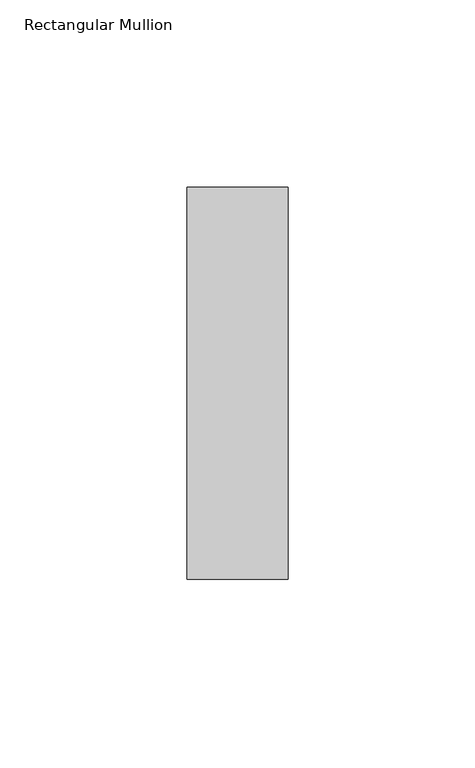
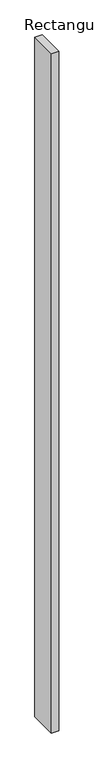
"""IFC4 building model written with IfcOpenShell, lengths in millimetres: member geometry, Rectangular Mullion."""

import ifcopenshell
import ifcopenshell.guid

model = None  # the IFC model being written
_history = None  # IfcOwnerHistory: only IFC2X3 demands one
_inside = {}  # id of a spatial element -> (the spatial element, [elements in it])
_under = {}  # id of a project, library or spatial element -> (it, [spatial elements below it])
_declared = {}  # id of a project -> (the project, [libraries it declares])
_typed = {}  # id of a type object -> (the type object, [elements of that type])
_made_of = {}  # id of a material, layer set ... -> (it, [elements and type objects made of it])


def new_model(schema):
    """Start an empty IFC model of exactly this schema.

    Asked for "IFC4X3", IfcOpenShell would pick the latest addendum, in which some entities
    have other attributes; the version numbers below select the first issue.
    IFC2X3 requires an IfcOwnerHistory on every rooted entity: one is made here for all.
    """
    global model, _history
    if schema == "IFC4X3":
        model = ifcopenshell.file(schema_version=(4, 3, 0, 0))
    else:
        model = ifcopenshell.file(schema=schema)
    _inside.clear()
    _under.clear()
    _declared.clear()
    _typed.clear()
    _made_of.clear()
    _history = None
    if model.schema == "IFC2X3":
        org = make("IfcOrganization", Name="unknown")
        user = make(
            "IfcPersonAndOrganization",
            ThePerson=make("IfcPerson", FamilyName="unknown"),
            TheOrganization=org,
        )
        app = make(
            "IfcApplication",
            ApplicationDeveloper=org,
            Version="unknown",
            ApplicationFullName="unknown",
            ApplicationIdentifier="unknown",
        )
        _history = make(
            "IfcOwnerHistory",
            OwningUser=user,
            OwningApplication=app,
            ChangeAction="ADDED",
            CreationDate=0,
        )
    return model


def make(cls, **values):
    """One entity of the class cls with the attributes given. An attribute that is None is left unset."""
    return model.create_entity(
        cls, **{name: value for name, value in values.items() if value is not None}
    )


def rooted(cls, **values):
    """An entity with a GlobalId (a new one), such as an element, a storey or a relation."""
    return make(cls, GlobalId=ifcopenshell.guid.new(), OwnerHistory=_history, **values)


def si_unit(unit_type, name, prefix=None):
    """IfcSIUnit, for example si_unit("LENGTHUNIT", "METRE", prefix="MILLI")."""
    return make("IfcSIUnit", UnitType=unit_type, Prefix=prefix, Name=name)


def assignment(units):
    """IfcUnitAssignment: the units of a project."""
    return None if units is None else make("IfcUnitAssignment", Units=units)


def point(xyz):
    """IfcCartesianPoint."""
    return None if xyz is None else make("IfcCartesianPoint", Coordinates=xyz)


def direction(xyz):
    """IfcDirection."""
    return None if xyz is None else make("IfcDirection", DirectionRatios=xyz)


def frame(location, z_axis=None, x_axis=None):
    """IfcAxis2Placement3D, a coordinate frame: its origin and axes. An axis left out is left unset."""
    return make(
        "IfcAxis2Placement3D",
        Location=point(location),
        Axis=direction(z_axis),
        RefDirection=direction(x_axis),
    )


def origin():
    """The frame at (0, 0, 0) with its axes left unset."""
    return frame((0.0, 0.0, 0.0))


def place(relative_to, where):
    """IfcLocalPlacement: puts the frame where relative to a parent placement (None: the world)."""
    return make(
        "IfcLocalPlacement", PlacementRelTo=relative_to, RelativePlacement=where
    )


def context(
    kind, dimensions, precision=None, world=None, true_north=None, identifier=None
):
    """IfcGeometricRepresentationContext, for example the 3D "Model" context."""
    return make(
        "IfcGeometricRepresentationContext",
        ContextIdentifier=identifier,
        ContextType=kind,
        CoordinateSpaceDimension=dimensions,
        Precision=precision,
        WorldCoordinateSystem=world,
        TrueNorth=true_north,
    )


def project(units=None, contexts=None):
    """IfcProject with its units and contexts."""
    return rooted(
        "IfcProject",
        Name="project",
        RepresentationContexts=contexts,
        UnitsInContext=assignment(units),
    )


def spatial(cls, under=None, at=None, **own):
    """A site, building, storey or space (cls), placed at a placement, below another one or the project."""
    s = rooted(cls, ObjectPlacement=at, **own)
    if under is not None:
        _under.setdefault(under.id(), (under, []))[1].append(s)
    return s


def polyline(points):
    """IfcPolyline through the points."""
    return make("IfcPolyline", Points=[point(p) for p in points])


def outline(outer, holes=None, kind="AREA"):
    """IfcArbitraryClosedProfileDef: a profile drawn as a closed curve; with holes, ...WithVoids."""
    if holes is None:
        return make("IfcArbitraryClosedProfileDef", ProfileType=kind, OuterCurve=outer)
    return make(
        "IfcArbitraryProfileDefWithVoids",
        ProfileType=kind,
        OuterCurve=outer,
        InnerCurves=holes,
    )


def extrude(swept, where, along, depth):
    """IfcExtrudedAreaSolid: the profile swept, set in the frame where, extruded along a direction by depth."""
    return make(
        "IfcExtrudedAreaSolid",
        SweptArea=swept,
        Position=where,
        ExtrudedDirection=direction(along),
        Depth=depth,
    )


def shape(context_of_items, identifier, shape_type, items):
    """IfcShapeRepresentation: the items that make up one representation, for example the "Body"."""
    return make(
        "IfcShapeRepresentation",
        ContextOfItems=context_of_items,
        RepresentationIdentifier=identifier,
        RepresentationType=shape_type,
        Items=items,
    )


def source(mapping_origin, context_of_items, identifier, shape_type, items):
    """IfcRepresentationMap: a shape defined once, which mapped items show again and again."""
    return make(
        "IfcRepresentationMap",
        MappingOrigin=mapping_origin,
        MappedRepresentation=shape(context_of_items, identifier, shape_type, items),
    )


def transform(
    local_origin,
    x_axis=None,
    y_axis=None,
    z_axis=None,
    scale=None,
    scale2=None,
    scale3=None,
    uniform=True,
):
    """IfcCartesianTransformationOperator3D, or its non-uniform kind. x_axis, y_axis, z_axis: its Axis1, 2, 3."""
    if uniform:
        return make(
            "IfcCartesianTransformationOperator3D",
            Axis1=direction(x_axis),
            Axis2=direction(y_axis),
            LocalOrigin=point(local_origin),
            Scale=scale,
            Axis3=direction(z_axis),
        )
    return make(
        "IfcCartesianTransformationOperator3DnonUniform",
        Axis1=direction(x_axis),
        Axis2=direction(y_axis),
        LocalOrigin=point(local_origin),
        Scale=scale,
        Axis3=direction(z_axis),
        Scale2=scale2,
        Scale3=scale3,
    )


def mapped(mapping_source, mapping_target):
    """IfcMappedItem: shows the shape of a source again, moved by a transform."""
    return make(
        "IfcMappedItem", MappingSource=mapping_source, MappingTarget=mapping_target
    )


def made_of(thing, what):
    """Note that an element or type object is made of a material, layer set ...; save() writes the relation."""
    if what is not None:
        _made_of.setdefault(what.id(), (what, []))[1].append(thing)
    return thing


def element(
    cls,
    number,
    at=None,
    inside=None,
    cuts=None,
    type_object=None,
    material=None,
    context=None,
    identifier="Body",
    shape_type=None,
    held_by="IfcProductDefinitionShape",
    body=None,
    shapes=None,
    **own,
):
    """One element of the class cls, such as IfcWall. Its Tag is "e" and its number.

    at: its placement. inside: the storey or other place that contains it. cuts: it is an
    opening in that element (IfcRelVoidsElement). A single representation is given by context,
    identifier, shape_type and body (its items); several are given by shapes. held_by: the class
    of the entity that holds the representations. save() writes the other relations.
    """
    e = rooted(cls, Tag="e%d" % number, ObjectPlacement=at, **own)
    if body is not None:
        shapes = [shape(context, identifier, shape_type, body)]
    if shapes is not None:
        e.Representation = make(held_by, Representations=shapes)
    if inside is not None:
        _inside.setdefault(inside.id(), (inside, []))[1].append(e)
    if cuts is not None:
        rooted(
            "IfcRelVoidsElement", RelatingBuildingElement=cuts, RelatedOpeningElement=e
        )
    if type_object is not None:
        _typed.setdefault(type_object.id(), (type_object, []))[1].append(e)
    return made_of(e, material)


def aggregate(whole, parts):
    """IfcRelAggregates: a whole, such as a stair, and the parts it consists of."""
    return rooted("IfcRelAggregates", RelatingObject=whole, RelatedObjects=parts)


def save(model, path):
    """Write the relations noted so far, then the file.

    IfcRelAggregates (storeys below a building ...), IfcRelContainedInSpatialStructure (elements
    in a storey), IfcRelDefinesByType, IfcRelAssociatesMaterial and IfcRelDeclares: one each for
    every whole, place, type object, material and project.
    """
    for whole, parts in _under.values():
        aggregate(whole, parts)
    for where, things in _inside.values():
        rooted(
            "IfcRelContainedInSpatialStructure",
            RelatedElements=things,
            RelatingStructure=where,
        )
    for kind, things in _typed.values():
        rooted("IfcRelDefinesByType", RelatedObjects=things, RelatingType=kind)
    for what, things in _made_of.values():
        rooted("IfcRelAssociatesMaterial", RelatedObjects=things, RelatingMaterial=what)
    for by, libraries in _declared.values():
        rooted("IfcRelDeclares", RelatingContext=by, RelatedDefinitions=libraries)
    model.write(path)


def rectangular_mullion_381b6c79(model_context):
    return source(origin(), model_context, "Body", "SweptSolid", [
        extrude(outline(polyline([(0.0, 52.3975), (0.0, -52.3975), (-27.0, -52.3975), (-27.0, 52.3975), (0.0, 52.3975)])), frame((0.0, 0.0, -2646.0), z_axis=(0.0, 0.0, 1.0), x_axis=(1.0, 0.0, 0.0)), (0.0, 0.0, 1.0), 2646.0),
    ])


if __name__ == "__main__":
    model = new_model("IFC4")
    model_context = context("Model", 3, world=origin())
    ifc_project = project(units=[si_unit("LENGTHUNIT", "METRE", prefix="MILLI")], contexts=[model_context])
    site = spatial("IfcSite", under=ifc_project)
    building = spatial("IfcBuilding", under=site)
    placement = place(None, origin())
    rectangular_mullion_shape = rectangular_mullion_381b6c79(model_context)
    element("IfcMember", 1, ObjectType="Rectangular Mullion", at=placement, inside=building, context=model_context, shape_type="MappedRepresentation", body=[
        mapped(rectangular_mullion_shape, transform((0.0, 0.0, 0.0), x_axis=(1.0, 0.0, 0.0), y_axis=(0.0, 1.0, 0.0), z_axis=(0.0, 0.0, 1.0))),
    ])
    save(model, "model.ifc")
